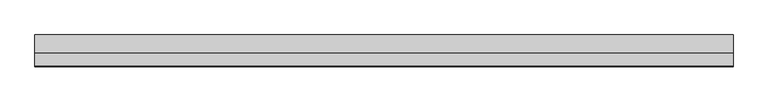
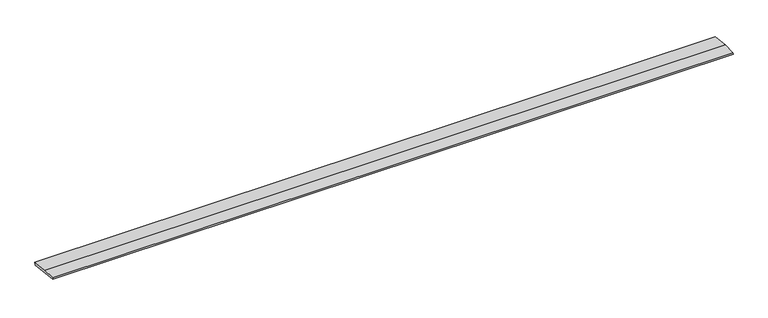
"""IFC4 building model written with IfcOpenShell, lengths in millimetres: beam geometry."""

from ifc_helpers import new_model, si_unit, frame, origin, place, context, project, spatial, polyline, outline, extrude, source, transform, mapped, element, save


def beam_9fa9cc63(model_context):
    return source(origin(), model_context, "Body", "SweptSolid", [
        extrude(outline(polyline([(0.0, -9.143159), (1.1226388, 0.0), (79.0749747, 0.0), (180.9387048, -12.5072934), (178.6231873, -31.3656703), (0.0, -9.143159)])), frame((-1989.0489816, 0.0, 0.0), z_axis=(1.0, 0.0, 0.0), x_axis=(0.0, 1.0, 0.0)), (0.0, 0.0, 1.0), 3978.0979632),
    ])


if __name__ == "__main__":
    model = new_model("IFC4")
    model_context = context("Model", 3, world=origin())
    ifc_project = project(units=[si_unit("LENGTHUNIT", "METRE", prefix="MILLI")], contexts=[model_context])
    site = spatial("IfcSite", under=ifc_project)
    building = spatial("IfcBuilding", under=site)
    placement = place(None, origin())
    beam_shape = beam_9fa9cc63(model_context)
    element("IfcBeam", 1, at=placement, inside=building, context=model_context, shape_type="MappedRepresentation", body=[
        mapped(beam_shape, transform((0.0, 0.0, 0.0), x_axis=(1.0, 0.0, 0.0), y_axis=(0.0, 1.0, 0.0), z_axis=(0.0, 0.0, 1.0))),
    ])
    save(model, "model.ifc")
